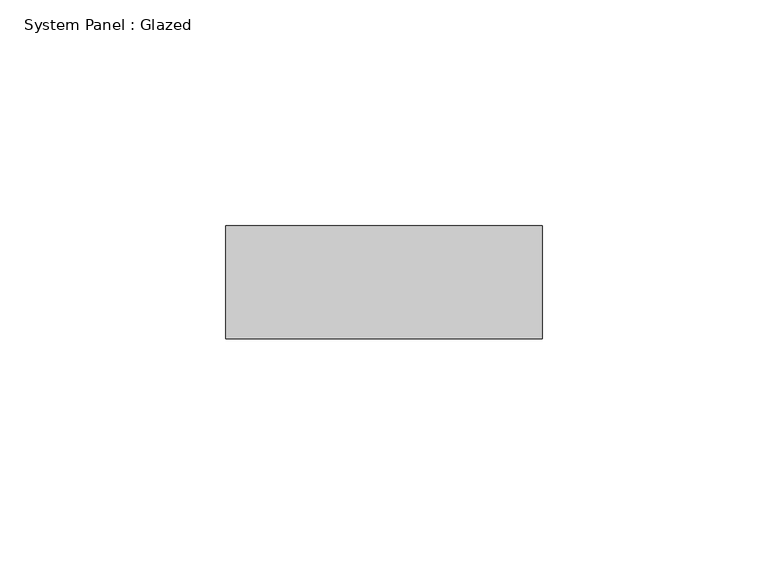
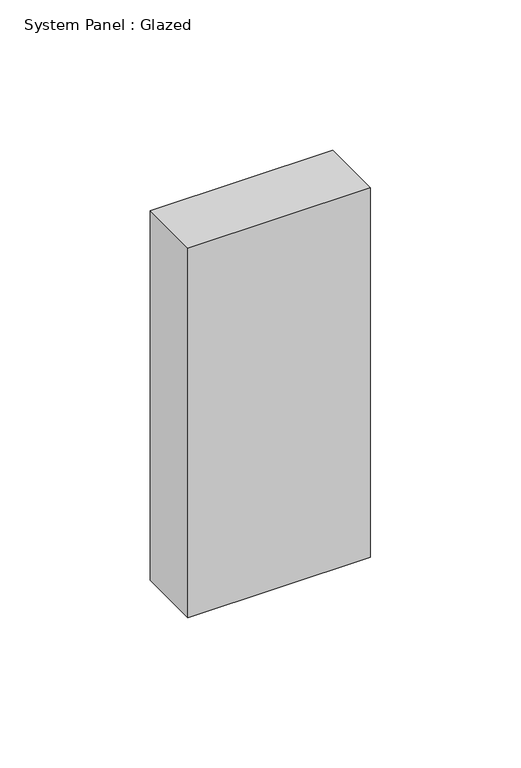
"""IFC4 building model written with IfcOpenShell, lengths in millimetres: plate geometry, System Panel : Glazed."""

from ifc_helpers import new_model, si_unit, origin, origin_with_axes, place, context, project, spatial, polyline, outline, extrude, source, transform, mapped, element, save


def system_panel_glazed_735fcf8e(model_context):
    return source(origin(), model_context, "Body", "SweptSolid", [
        extrude(outline(polyline([(35.0, -49.5), (-35.0, -49.5), (-35.0, -24.5), (35.0, -24.5), (35.0, -49.5)])), origin_with_axes(), (0.0, 0.0, 1.0), 150.0),
    ])


if __name__ == "__main__":
    model = new_model("IFC4")
    model_context = context("Model", 3, world=origin())
    ifc_project = project(units=[si_unit("LENGTHUNIT", "METRE", prefix="MILLI")], contexts=[model_context])
    site = spatial("IfcSite", under=ifc_project)
    building = spatial("IfcBuilding", under=site)
    placement = place(None, origin())
    system_panel_glazed_shape = system_panel_glazed_735fcf8e(model_context)
    element("IfcPlate", 1, ObjectType="System Panel : Glazed", at=placement, inside=building, context=model_context, shape_type="MappedRepresentation", body=[
        mapped(system_panel_glazed_shape, transform((0.0, 0.0, 0.0), x_axis=(1.0, 0.0, 0.0), y_axis=(0.0, 1.0, 0.0), z_axis=(0.0, 0.0, 1.0))),
    ])
    save(model, "model.ifc")
